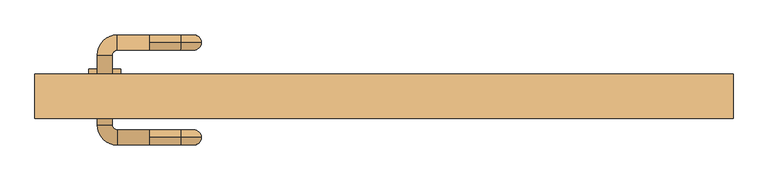
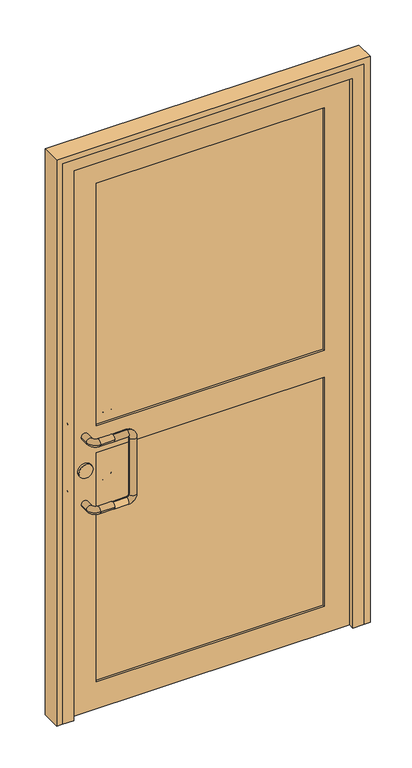
"""IFC4 building model written with IfcOpenShell, lengths in millimetres: door geometry."""

from ifc_helpers import new_model, si_unit, point, frame, frame_2d, origin, place, context, project, spatial, polyline, circle_curve, ellipse_curve, trimmed, segment, composite_curve, outline, extrude, faceted_brep, source, transform, mapped, element, save
from ifc_brep_helpers import cylinder_surface, revolved_surface, advanced_brep


def door_294ad174(model_context):
    return source(origin(), model_context, "Body", "SolidModel", [
        advanced_brep(
        [(-370.0, 112.0, 1025.0), (-420.0, 112.0, 1025.0), (-420.0, 88.0, 1025.0), (-370.0, 88.0, 1025.0), (-370.0, 100.0, 1037.0), (-370.0, 100.0, 1013.0), (-452.0, 80.0, 1025.0), (-428.0, 80.0, 1025.0), (-452.0, -30.0, 1025.0), (-428.0, -30.0, 1025.0), (-420.0, -62.0, 1025.0), (-420.0, -38.0, 1025.0), (-370.0, -62.0, 1025.0), (-370.0, -50.0, 1037.0), (-370.0, -38.0, 1025.0), (-370.0, -50.0, 1013.0), (-320.0, 100.0, 1013.0), (-320.0, 100.0, 1037.0), (-312.0, 100.0, 1005.0), (-288.0, 100.0, 1005.0), (-312.0, 100.0, 795.0), (-288.0, 100.0, 795.0), (-320.0, 100.0, 787.0), (-320.0, 100.0, 763.0), (-370.0, 100.0, 787.0), (-370.0, 88.0, 775.0), (-370.0, 100.0, 763.0), (-370.0, 112.0, 775.0), (-420.0, 112.0, 775.0), (-420.0, 88.0, 775.0), (-452.0, 80.0, 775.0), (-428.0, 80.0, 775.0), (-452.0, -30.0, 775.0), (-428.0, -30.0, 775.0), (-420.0, -62.0, 775.0), (-420.0, -38.0, 775.0), (-370.0, -62.0, 775.0), (-370.0, -50.0, 787.0), (-370.0, -38.0, 775.0), (-370.0, -50.0, 763.0), (-320.0, -50.0, 1013.0), (-320.0, -50.0, 1037.0), (-312.0, -50.0, 1005.0), (-288.0, -50.0, 1005.0), (-312.0, -50.0, 795.0), (-288.0, -50.0, 795.0), (-320.0, -50.0, 787.0), (-320.0, -50.0, 763.0)],
        [
            (0, 1),
            (1, 2, circle_curve(frame((-420.0, 100.0, 1025.0), z_axis=(1.0, 0.0, 0.0), x_axis=(0.0, -1.0, 0.0)), 12.0)),
            (2, 3),
            (3, 4, circle_curve(frame((-370.0, 100.0, 1025.0), z_axis=(-1.0, 0.0, 0.0), x_axis=(0.0, -1.0, 0.0)), 12.0)),
            (4, 0, circle_curve(frame((-370.0, 100.0, 1025.0), z_axis=(-1.0, 0.0, 0.0), x_axis=(0.0, -1.0, 0.0)), 12.0)),
            (0, 5, circle_curve(frame((-370.0, 100.0, 1025.0), z_axis=(-1.0, 0.0, 0.0), x_axis=(0.0, -1.0, 0.0)), 12.0)),
            (5, 3, circle_curve(frame((-370.0, 100.0, 1025.0), z_axis=(-1.0, 0.0, 0.0), x_axis=(0.0, -1.0, 0.0)), 12.0)),
            (2, 1, circle_curve(frame((-420.0, 100.0, 1025.0), z_axis=(1.0, 0.0, 0.0), x_axis=(0.0, -1.0, 0.0)), 12.0)),
            (1, 6, circle_curve(frame((-420.0, 80.0, 1025.0), z_axis=(0.0, 0.0, 1.0), x_axis=(0.0, 1.0, 0.0)), 32.0)),
            (6, 7, circle_curve(frame((-440.0, 80.0, 1025.0), z_axis=(0.0, 1.0, 0.0), x_axis=(1.0, 0.0, 0.0)), 12.0)),
            (7, 2, circle_curve(frame((-420.0, 80.0, 1025.0), z_axis=(0.0, 0.0, -1.0), x_axis=(0.0, 1.0, 0.0)), 8.0)),
            (7, 6, circle_curve(frame((-440.0, 80.0, 1025.0), z_axis=(0.0, 1.0, 0.0), x_axis=(1.0, 0.0, 0.0)), 12.0)),
            (6, 8),
            (8, 9, circle_curve(frame((-440.0, -30.0, 1025.0), z_axis=(0.0, 1.0, 0.0), x_axis=(1.0, 0.0, 0.0)), 12.0)),
            (9, 7),
            (9, 8, circle_curve(frame((-440.0, -30.0, 1025.0), z_axis=(0.0, 1.0, 0.0), x_axis=(1.0, 0.0, 0.0)), 12.0)),
            (8, 10, circle_curve(frame((-420.0, -30.0, 1025.0), z_axis=(0.0, 0.0, 1.0), x_axis=(-1.0, 0.0, 0.0)), 32.0)),
            (10, 11, circle_curve(frame((-420.0, -50.0, 1025.0), z_axis=(-1.0, 0.0, 0.0), x_axis=(0.0, 1.0, 0.0)), 12.0)),
            (11, 9, circle_curve(frame((-420.0, -30.0, 1025.0), z_axis=(0.0, 0.0, -1.0), x_axis=(-1.0, 0.0, 0.0)), 8.0)),
            (11, 10, circle_curve(frame((-420.0, -50.0, 1025.0), z_axis=(-1.0, 0.0, 0.0), x_axis=(0.0, 1.0, 0.0)), 12.0)),
            (10, 12),
            (12, 13, circle_curve(frame((-370.0, -50.0, 1025.0), z_axis=(-1.0, 0.0, 0.0), x_axis=(0.0, 1.0, 0.0)), 12.0)),
            (13, 14, circle_curve(frame((-370.0, -50.0, 1025.0), z_axis=(-1.0, 0.0, 0.0), x_axis=(0.0, 1.0, 0.0)), 12.0)),
            (14, 11),
            (14, 15, circle_curve(frame((-370.0, -50.0, 1025.0), z_axis=(-1.0, 0.0, 0.0), x_axis=(0.0, 1.0, 0.0)), 12.0)),
            (15, 12, circle_curve(frame((-370.0, -50.0, 1025.0), z_axis=(-1.0, 0.0, 0.0), x_axis=(0.0, 1.0, 0.0)), 12.0)),
            (5, 16),
            (16, 17, circle_curve(frame((-320.0, 100.0, 1025.0), z_axis=(-1.0, 0.0, 0.0), x_axis=(0.0, 0.0, 1.0)), 12.0)),
            (17, 4),
            (17, 16, circle_curve(frame((-320.0, 100.0, 1025.0), z_axis=(-1.0, 0.0, 0.0), x_axis=(0.0, 0.0, 1.0)), 12.0)),
            (16, 18, circle_curve(frame((-320.0, 100.0, 1005.0), z_axis=(0.0, 1.0, 0.0), x_axis=(0.0, 0.0, 1.0)), 8.0)),
            (18, 19, circle_curve(frame((-300.0, 100.0, 1005.0), z_axis=(0.0, 0.0, 1.0), x_axis=(1.0, 0.0, 0.0)), 12.0)),
            (19, 17, circle_curve(frame((-320.0, 100.0, 1005.0), z_axis=(0.0, -1.0, 0.0), x_axis=(0.0, 0.0, 1.0)), 32.0)),
            (19, 18, circle_curve(frame((-300.0, 100.0, 1005.0), z_axis=(0.0, 0.0, 1.0), x_axis=(1.0, 0.0, 0.0)), 12.0)),
            (18, 20),
            (20, 21, circle_curve(frame((-300.0, 100.0, 795.0), z_axis=(0.0, 0.0, 1.0), x_axis=(1.0, 0.0, 0.0)), 12.0)),
            (21, 19),
            (21, 20, circle_curve(frame((-300.0, 100.0, 795.0), z_axis=(0.0, 0.0, 1.0), x_axis=(1.0, 0.0, 0.0)), 12.0)),
            (20, 22, circle_curve(frame((-320.0, 100.0, 795.0), z_axis=(0.0, 1.0, 0.0), x_axis=(1.0, 0.0, 0.0)), 8.0)),
            (22, 23, circle_curve(frame((-320.0, 100.0, 775.0), z_axis=(1.0, 0.0, 0.0), x_axis=(0.0, 0.0, -1.0)), 12.0)),
            (23, 21, circle_curve(frame((-320.0, 100.0, 795.0), z_axis=(0.0, -1.0, 0.0), x_axis=(1.0, 0.0, 0.0)), 32.0)),
            (23, 22, circle_curve(frame((-320.0, 100.0, 775.0), z_axis=(1.0, 0.0, 0.0), x_axis=(0.0, 0.0, -1.0)), 12.0)),
            (22, 24),
            (24, 25, circle_curve(frame((-370.0, 100.0, 775.0), z_axis=(1.0, 0.0, 0.0), x_axis=(0.0, 0.0, -1.0)), 12.0)),
            (25, 26, circle_curve(frame((-370.0, 100.0, 775.0), z_axis=(1.0, 0.0, 0.0), x_axis=(0.0, 0.0, -1.0)), 12.0)),
            (26, 23),
            (26, 27, circle_curve(frame((-370.0, 100.0, 775.0), z_axis=(1.0, 0.0, 0.0), x_axis=(0.0, 0.0, -1.0)), 12.0)),
            (27, 24, circle_curve(frame((-370.0, 100.0, 775.0), z_axis=(1.0, 0.0, 0.0), x_axis=(0.0, 0.0, -1.0)), 12.0)),
            (27, 28),
            (28, 29, circle_curve(frame((-420.0, 100.0, 775.0), z_axis=(1.0, 0.0, 0.0), x_axis=(0.0, -1.0, 0.0)), 12.0)),
            (29, 25),
            (29, 28, circle_curve(frame((-420.0, 100.0, 775.0), z_axis=(1.0, 0.0, 0.0), x_axis=(0.0, -1.0, 0.0)), 12.0)),
            (28, 30, circle_curve(frame((-420.0, 80.0, 775.0), z_axis=(0.0, 0.0, 1.0), x_axis=(0.0, 1.0, 0.0)), 32.0)),
            (30, 31, circle_curve(frame((-440.0, 80.0, 775.0), z_axis=(0.0, 1.0, 0.0), x_axis=(1.0, 0.0, 0.0)), 12.0)),
            (31, 29, circle_curve(frame((-420.0, 80.0, 775.0), z_axis=(0.0, 0.0, -1.0), x_axis=(0.0, 1.0, 0.0)), 8.0)),
            (31, 30, circle_curve(frame((-440.0, 80.0, 775.0), z_axis=(0.0, 1.0, 0.0), x_axis=(1.0, 0.0, 0.0)), 12.0)),
            (30, 32),
            (32, 33, circle_curve(frame((-440.0, -30.0, 775.0), z_axis=(0.0, 1.0, 0.0), x_axis=(1.0, 0.0, 0.0)), 12.0)),
            (33, 31),
            (33, 32, circle_curve(frame((-440.0, -30.0, 775.0), z_axis=(0.0, 1.0, 0.0), x_axis=(1.0, 0.0, 0.0)), 12.0)),
            (32, 34, circle_curve(frame((-420.0, -30.0, 775.0), z_axis=(0.0, 0.0, 1.0), x_axis=(-1.0, 0.0, 0.0)), 32.0)),
            (34, 35, circle_curve(frame((-420.0, -50.0, 775.0), z_axis=(-1.0, 0.0, 0.0), x_axis=(0.0, 1.0, 0.0)), 12.0)),
            (35, 33, circle_curve(frame((-420.0, -30.0, 775.0), z_axis=(0.0, 0.0, -1.0), x_axis=(-1.0, 0.0, 0.0)), 8.0)),
            (35, 34, circle_curve(frame((-420.0, -50.0, 775.0), z_axis=(-1.0, 0.0, 0.0), x_axis=(0.0, 1.0, 0.0)), 12.0)),
            (34, 36),
            (36, 37, circle_curve(frame((-370.0, -50.0, 775.0), z_axis=(-1.0, 0.0, 0.0), x_axis=(0.0, 1.0, 0.0)), 12.0)),
            (37, 38, circle_curve(frame((-370.0, -50.0, 775.0), z_axis=(-1.0, 0.0, 0.0), x_axis=(0.0, 1.0, 0.0)), 12.0)),
            (38, 35),
            (38, 39, circle_curve(frame((-370.0, -50.0, 775.0), z_axis=(-1.0, 0.0, 0.0), x_axis=(0.0, 1.0, 0.0)), 12.0)),
            (39, 36, circle_curve(frame((-370.0, -50.0, 775.0), z_axis=(-1.0, 0.0, 0.0), x_axis=(0.0, 1.0, 0.0)), 12.0)),
            (15, 40),
            (40, 41, circle_curve(frame((-320.0, -50.0, 1025.0), z_axis=(-1.0, 0.0, 0.0), x_axis=(0.0, 0.0, 1.0)), 12.0)),
            (41, 13),
            (41, 40, circle_curve(frame((-320.0, -50.0, 1025.0), z_axis=(-1.0, 0.0, 0.0), x_axis=(0.0, 0.0, 1.0)), 12.0)),
            (40, 42, circle_curve(frame((-320.0, -50.0, 1005.0), z_axis=(0.0, 1.0, 0.0), x_axis=(0.0, 0.0, 1.0)), 8.0)),
            (42, 43, circle_curve(frame((-300.0, -50.0, 1005.0), z_axis=(0.0, 0.0, 1.0), x_axis=(1.0, 0.0, 0.0)), 12.0)),
            (43, 41, circle_curve(frame((-320.0, -50.0, 1005.0), z_axis=(0.0, -1.0, 0.0), x_axis=(0.0, 0.0, 1.0)), 32.0)),
            (43, 42, circle_curve(frame((-300.0, -50.0, 1005.0), z_axis=(0.0, 0.0, 1.0), x_axis=(1.0, 0.0, 0.0)), 12.0)),
            (42, 44),
            (44, 45, circle_curve(frame((-300.0, -50.0, 795.0), z_axis=(0.0, 0.0, 1.0), x_axis=(1.0, 0.0, 0.0)), 12.0)),
            (45, 43),
            (45, 44, circle_curve(frame((-300.0, -50.0, 795.0), z_axis=(0.0, 0.0, 1.0), x_axis=(1.0, 0.0, 0.0)), 12.0)),
            (44, 46, circle_curve(frame((-320.0, -50.0, 795.0), z_axis=(0.0, 1.0, 0.0), x_axis=(1.0, 0.0, 0.0)), 8.0)),
            (46, 47, circle_curve(frame((-320.0, -50.0, 775.0), z_axis=(1.0, 0.0, 0.0), x_axis=(0.0, 0.0, -1.0)), 12.0)),
            (47, 45, circle_curve(frame((-320.0, -50.0, 795.0), z_axis=(0.0, -1.0, 0.0), x_axis=(1.0, 0.0, 0.0)), 32.0)),
            (47, 46, circle_curve(frame((-320.0, -50.0, 775.0), z_axis=(1.0, 0.0, 0.0), x_axis=(0.0, 0.0, -1.0)), 12.0)),
            (46, 37),
            (39, 47),
        ],
        [
            cylinder_surface(frame((-370.0, 100.0, 1025.0), z_axis=(1.0, 0.0, 0.0), x_axis=(0.0, -1.0, 0.0)), 12.0),
            revolved_surface(trimmed(ellipse_curve(frame((-420.0, 100.0, 1025.0), z_axis=(1.0, 0.0, 0.0), x_axis=(0.0, -1.0, 0.0)), 12.0, 12.0), [point((-420.0, 112.0, 1025.0))], [point((-420.0, 88.0, 1025.0))], True, "CARTESIAN"), (-420.0, 80.0, 1025.0), (0.0, 0.0, 1.0)),
            revolved_surface(trimmed(ellipse_curve(frame((-420.0, 100.0, 1025.0), z_axis=(1.0, 0.0, 0.0), x_axis=(0.0, -1.0, 0.0)), 12.0, 12.0), [point((-420.0, 88.0, 1025.0))], [point((-420.0, 112.0, 1025.0))], True, "CARTESIAN"), (-420.0, 80.0, 1025.0), (0.0, 0.0, 1.0)),
            cylinder_surface(frame((-440.0, 80.0, 1025.0), z_axis=(0.0, 1.0, 0.0), x_axis=(1.0, 0.0, 0.0)), 12.0),
            revolved_surface(trimmed(ellipse_curve(frame((-440.0, -30.0, 1025.0), z_axis=(0.0, 1.0, 0.0), x_axis=(1.0, 0.0, 0.0)), 12.0, 12.0), [point((-452.0, -30.0, 1025.0))], [point((-428.0, -30.0, 1025.0))], True, "CARTESIAN"), (-420.0, -30.0, 1025.0), (0.0, 0.0, 1.0)),
            revolved_surface(trimmed(ellipse_curve(frame((-440.0, -30.0, 1025.0), z_axis=(0.0, 1.0, 0.0), x_axis=(1.0, 0.0, 0.0)), 12.0, 12.0), [point((-428.0, -30.0, 1025.0))], [point((-452.0, -30.0, 1025.0))], True, "CARTESIAN"), (-420.0, -30.0, 1025.0), (0.0, 0.0, 1.0)),
            cylinder_surface(frame((-420.0, -50.0, 1025.0), z_axis=(-1.0, 0.0, 0.0), x_axis=(0.0, 1.0, 0.0)), 12.0),
            cylinder_surface(frame((-370.0, 100.0, 1025.0), z_axis=(-1.0, 0.0, 0.0), x_axis=(0.0, 0.0, 1.0)), 12.0),
            revolved_surface(trimmed(ellipse_curve(frame((-320.0, 100.0, 1025.0), z_axis=(-1.0, 0.0, 0.0), x_axis=(0.0, 0.0, 1.0)), 12.0, 12.0), [point((-320.0, 100.0, 1013.0))], [point((-320.0, 100.0, 1037.0))], True, "CARTESIAN"), (-320.0, 100.0, 1005.0), (0.0, 1.0, 0.0)),
            revolved_surface(trimmed(ellipse_curve(frame((-320.0, 100.0, 1025.0), z_axis=(-1.0, 0.0, 0.0), x_axis=(0.0, 0.0, 1.0)), 12.0, 12.0), [point((-320.0, 100.0, 1037.0))], [point((-320.0, 100.0, 1013.0))], True, "CARTESIAN"), (-320.0, 100.0, 1005.0), (0.0, 1.0, 0.0)),
            cylinder_surface(frame((-300.0, 100.0, 1005.0), z_axis=(0.0, 0.0, 1.0), x_axis=(1.0, 0.0, 0.0)), 12.0),
            revolved_surface(trimmed(ellipse_curve(frame((-300.0, 100.0, 795.0), z_axis=(0.0, 0.0, 1.0), x_axis=(1.0, 0.0, 0.0)), 12.0, 12.0), [point((-312.0, 100.0, 795.0))], [point((-288.0, 100.0, 795.0))], True, "CARTESIAN"), (-320.0, 100.0, 795.0), (0.0, 1.0, 0.0)),
            revolved_surface(trimmed(ellipse_curve(frame((-300.0, 100.0, 795.0), z_axis=(0.0, 0.0, 1.0), x_axis=(1.0, 0.0, 0.0)), 12.0, 12.0), [point((-288.0, 100.0, 795.0))], [point((-312.0, 100.0, 795.0))], True, "CARTESIAN"), (-320.0, 100.0, 795.0), (0.0, 1.0, 0.0)),
            cylinder_surface(frame((-320.0, 100.0, 775.0), z_axis=(1.0, 0.0, 0.0), x_axis=(0.0, 0.0, -1.0)), 12.0),
            cylinder_surface(frame((-370.0, 100.0, 775.0), z_axis=(1.0, 0.0, 0.0), x_axis=(0.0, -1.0, 0.0)), 12.0),
            revolved_surface(trimmed(ellipse_curve(frame((-420.0, 100.0, 775.0), z_axis=(1.0, 0.0, 0.0), x_axis=(0.0, -1.0, 0.0)), 12.0, 12.0), [point((-420.0, 112.0, 775.0))], [point((-420.0, 88.0, 775.0))], True, "CARTESIAN"), (-420.0, 80.0, 775.0), (0.0, 0.0, 1.0)),
            revolved_surface(trimmed(ellipse_curve(frame((-420.0, 100.0, 775.0), z_axis=(1.0, 0.0, 0.0), x_axis=(0.0, -1.0, 0.0)), 12.0, 12.0), [point((-420.0, 88.0, 775.0))], [point((-420.0, 112.0, 775.0))], True, "CARTESIAN"), (-420.0, 80.0, 775.0), (0.0, 0.0, 1.0)),
            cylinder_surface(frame((-440.0, 80.0, 775.0), z_axis=(0.0, 1.0, 0.0), x_axis=(1.0, 0.0, 0.0)), 12.0),
            revolved_surface(trimmed(ellipse_curve(frame((-440.0, -30.0, 775.0), z_axis=(0.0, 1.0, 0.0), x_axis=(1.0, 0.0, 0.0)), 12.0, 12.0), [point((-452.0, -30.0, 775.0))], [point((-428.0, -30.0, 775.0))], True, "CARTESIAN"), (-420.0, -30.0, 775.0), (0.0, 0.0, 1.0)),
            revolved_surface(trimmed(ellipse_curve(frame((-440.0, -30.0, 775.0), z_axis=(0.0, 1.0, 0.0), x_axis=(1.0, 0.0, 0.0)), 12.0, 12.0), [point((-428.0, -30.0, 775.0))], [point((-452.0, -30.0, 775.0))], True, "CARTESIAN"), (-420.0, -30.0, 775.0), (0.0, 0.0, 1.0)),
            cylinder_surface(frame((-420.0, -50.0, 775.0), z_axis=(-1.0, 0.0, 0.0), x_axis=(0.0, 1.0, 0.0)), 12.0),
            cylinder_surface(frame((-370.0, -50.0, 1025.0), z_axis=(-1.0, 0.0, 0.0), x_axis=(0.0, 0.0, 1.0)), 12.0),
            revolved_surface(trimmed(ellipse_curve(frame((-320.0, -50.0, 1025.0), z_axis=(-1.0, 0.0, 0.0), x_axis=(0.0, 0.0, 1.0)), 12.0, 12.0), [point((-320.0, -50.0, 1013.0))], [point((-320.0, -50.0, 1037.0))], True, "CARTESIAN"), (-320.0, -50.0, 1005.0), (0.0, 1.0, 0.0)),
            revolved_surface(trimmed(ellipse_curve(frame((-320.0, -50.0, 1025.0), z_axis=(-1.0, 0.0, 0.0), x_axis=(0.0, 0.0, 1.0)), 12.0, 12.0), [point((-320.0, -50.0, 1037.0))], [point((-320.0, -50.0, 1013.0))], True, "CARTESIAN"), (-320.0, -50.0, 1005.0), (0.0, 1.0, 0.0)),
            cylinder_surface(frame((-300.0, -50.0, 1005.0), z_axis=(0.0, 0.0, 1.0), x_axis=(1.0, 0.0, 0.0)), 12.0),
            revolved_surface(trimmed(ellipse_curve(frame((-300.0, -50.0, 795.0), z_axis=(0.0, 0.0, 1.0), x_axis=(1.0, 0.0, 0.0)), 12.0, 12.0), [point((-312.0, -50.0, 795.0))], [point((-288.0, -50.0, 795.0))], True, "CARTESIAN"), (-320.0, -50.0, 795.0), (0.0, 1.0, 0.0)),
            revolved_surface(trimmed(ellipse_curve(frame((-300.0, -50.0, 795.0), z_axis=(0.0, 0.0, 1.0), x_axis=(1.0, 0.0, 0.0)), 12.0, 12.0), [point((-288.0, -50.0, 795.0))], [point((-312.0, -50.0, 795.0))], True, "CARTESIAN"), (-320.0, -50.0, 795.0), (0.0, 1.0, 0.0)),
            cylinder_surface(frame((-320.0, -50.0, 775.0), z_axis=(1.0, 0.0, 0.0), x_axis=(0.0, 0.0, -1.0)), 12.0),
        ],
        [
            (0, [[1, 2, 3, 4, 5]]),
            (0, [[-1, 6, 7, -3, 8]]),
            (1, [[-2, 9, 10, 11]]),
            (2, [[-8, -11, 12, -9]]),
            (3, [[-10, 13, 14, 15]]),
            (3, [[-12, -15, 16, -13]]),
            (4, [[-14, 17, 18, 19]]),
            (5, [[-16, -19, 20, -17]]),
            (6, [[-18, 21, 22, 23, 24]]),
            (6, [[-20, -24, 25, 26, -21]]),
            (7, [[27, 28, 29, -4, -7]]),
            (7, [[-27, -6, -5, -29, 30]]),
            (8, [[-28, 31, 32, 33]]),
            (9, [[-30, -33, 34, -31]]),
            (10, [[-32, 35, 36, 37]]),
            (10, [[-34, -37, 38, -35]]),
            (11, [[-36, 39, 40, 41]]),
            (12, [[-38, -41, 42, -39]]),
            (13, [[-40, 43, 44, 45, 46]]),
            (13, [[-42, -46, 47, 48, -43]]),
            (14, [[49, 50, 51, -44, -48]]),
            (14, [[-49, -47, -45, -51, 52]]),
            (15, [[-50, 53, 54, 55]]),
            (16, [[-52, -55, 56, -53]]),
            (17, [[-54, 57, 58, 59]]),
            (17, [[-56, -59, 60, -57]]),
            (18, [[-58, 61, 62, 63]]),
            (19, [[-60, -63, 64, -61]]),
            (20, [[-62, 65, 66, 67, 68]]),
            (20, [[-64, -68, 69, 70, -65]]),
            (21, [[71, 72, 73, -22, -26]]),
            (21, [[-71, -25, -23, -73, 74]]),
            (22, [[-72, 75, 76, 77]]),
            (23, [[-74, -77, 78, -75]]),
            (24, [[-76, 79, 80, 81]]),
            (24, [[-78, -81, 82, -79]]),
            (25, [[-80, 83, 84, 85]]),
            (26, [[-82, -85, 86, -83]]),
            (27, [[-84, 87, -66, -70, 88]]),
            (27, [[-86, -88, -69, -67, -87]]),
        ],
    ),
        extrude(outline(composite_curve([segment(trimmed(circle_curve(frame_2d((900.0, -440.0)), 25.0), [point((900.0, -465.0))], [point((900.0, -415.0))], False, "CARTESIAN"), True, "CONTINUOUS"), segment(trimmed(circle_curve(frame_2d((900.0, -440.0)), 25.0), [point((900.0, -415.0))], [point((900.0, -465.0))], False, "CARTESIAN"), True, "CONTINUOUS")], self_intersect=False)), frame((0.0, -8.0, 0.0), z_axis=(0.0, 1.0, 0.0), x_axis=(0.0, 0.0, 1.0)), (0.0, 0.0, 1.0), 66.0),
        extrude(outline(polyline([(-400.0, 42.0), (400.0, 42.0), (400.0, 8.0), (-400.0, 8.0), (-400.0, 42.0)])), frame((0.0, 0.0, 100.0), z_axis=(0.0, 0.0, 1.0), x_axis=(1.0, 0.0, 0.0)), (0.0, 0.0, 1.0), 1850.0),
        extrude(outline(polyline([(2050.0, 500.0), (2050.0, -500.0), (0.0, -500.0), (0.0, 500.0), (2050.0, 500.0)]), holes=[polyline([(1050.0, -400.0), (1950.0, -400.0), (1950.0, 400.0), (1050.0, 400.0), (1050.0, -400.0)]), polyline([(100.0, 400.0), (100.0, -400.0), (950.0, -400.0), (950.0, 400.0), (100.0, 400.0)])]), frame((0.0, 0.0, 0.0), z_axis=(0.0, 1.0, 0.0), x_axis=(0.0, 0.0, 1.0)), (0.0, 0.0, 1.0), 50.0),
        extrude(outline(polyline([(0.0, 550.0), (2100.0, 550.0), (2100.0, -550.0), (0.0, -550.0), (0.0, -530.0), (2080.0, -530.0), (2080.0, 530.0), (0.0, 530.0), (0.0, 550.0)])), frame((0.0, -20.0, 0.0), z_axis=(0.0, 1.0, 0.0), x_axis=(0.0, 0.0, 1.0)), (0.0, 0.0, 1.0), 70.0),
        faceted_brep([(-530.0, -20.0, 0.0), (-530.0, 50.0, 0.0), (-500.0, 50.0, 0.0), (-500.0, 0.0, 0.0), (-490.0, 0.0, 0.0), (-490.0, -20.0, 0.0), (-530.0, -20.0, 2080.0), (-530.0, 50.0, 2080.0), (530.0, 50.0, 2080.0), (530.0, 50.0, 0.0), (500.0, 50.0, 0.0), (500.0, 50.0, 2050.0), (-500.0, 50.0, 2050.0), (-500.0, 0.0, 2050.0), (500.0, 0.0, 2050.0), (500.0, 0.0, 0.0), (490.0, 0.0, 0.0), (490.0, 0.0, 2040.0), (-490.0, 0.0, 2040.0), (-490.0, -20.0, 2040.0), (490.0, -20.0, 2040.0), (490.0, -20.0, 0.0), (530.0, -20.0, 0.0), (530.0, -20.0, 2080.0)], [[[0, 1, 2, 3, 4, 5]], [[1, 0, 6, 7]], [[2, 1, 7, 8, 9, 10, 11, 12]], [[3, 2, 12, 13]], [[4, 3, 13, 14, 15, 16, 17, 18]], [[5, 4, 18, 19]], [[0, 5, 19, 20, 21, 22, 23, 6]], [[7, 6, 23, 8]], [[13, 12, 11, 14]], [[19, 18, 17, 20]], [[22, 21, 16, 15, 10, 9]], [[8, 23, 22, 9]], [[14, 11, 10, 15]], [[20, 17, 16, 21]]]),
    ])


if __name__ == "__main__":
    model = new_model("IFC4")
    model_context = context("Model", 3, world=origin())
    ifc_project = project(units=[si_unit("LENGTHUNIT", "METRE", prefix="MILLI")], contexts=[model_context])
    site = spatial("IfcSite", under=ifc_project)
    building = spatial("IfcBuilding", under=site)
    placement = place(None, origin())
    door_shape = door_294ad174(model_context)
    element("IfcDoor", 1, at=placement, inside=building, context=model_context, shape_type="MappedRepresentation", body=[
        mapped(door_shape, transform((0.0, 0.0, 0.0), x_axis=(1.0, 0.0, 0.0), y_axis=(0.0, 1.0, 0.0), z_axis=(0.0, 0.0, 1.0))),
    ])
    save(model, "model.ifc")
